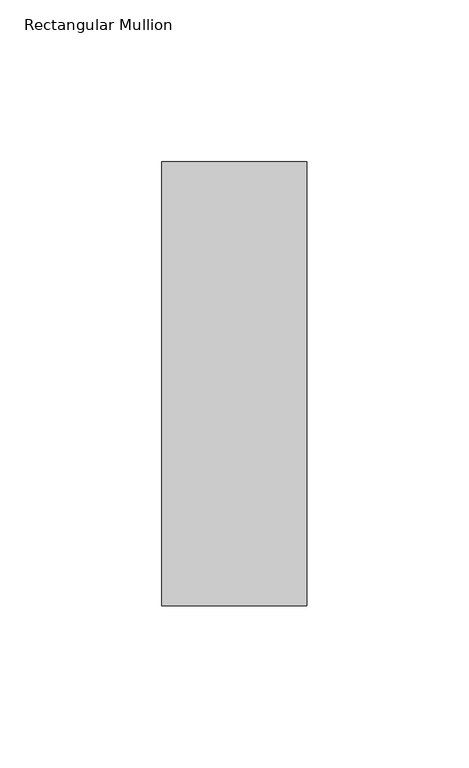
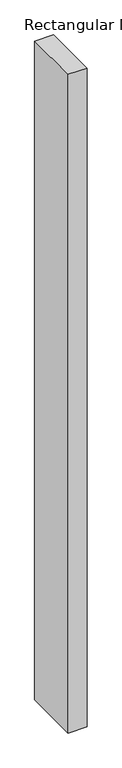
"""IFC4 building model written with IfcOpenShell, lengths in millimetres: member geometry, Rectangular Mullion."""

from ifc_helpers import new_model, si_unit, frame, origin, place, context, project, spatial, polyline, outline, extrude, source, transform, mapped, element, save


def rectangular_mullion_19cc810c(model_context):
    return source(origin(), model_context, "Body", "SweptSolid", [
        extrude(outline(polyline([(0.0, 84.19375), (0.0, -53.19375), (-45.0, -53.19375), (-45.0, 84.19375), (0.0, 84.19375)])), frame((0.0, 0.0, -1650.6976981), z_axis=(0.0, 0.0, 1.0), x_axis=(1.0, 0.0, 0.0)), (0.0, 0.0, 1.0), 1650.6976981),
    ])


if __name__ == "__main__":
    model = new_model("IFC4")
    model_context = context("Model", 3, world=origin())
    ifc_project = project(units=[si_unit("LENGTHUNIT", "METRE", prefix="MILLI")], contexts=[model_context])
    site = spatial("IfcSite", under=ifc_project)
    building = spatial("IfcBuilding", under=site)
    placement = place(None, origin())
    rectangular_mullion_shape = rectangular_mullion_19cc810c(model_context)
    element("IfcMember", 1, ObjectType="Rectangular Mullion", at=placement, inside=building, context=model_context, shape_type="MappedRepresentation", body=[
        mapped(rectangular_mullion_shape, transform((0.0, 0.0, 0.0), x_axis=(1.0, 0.0, 0.0), y_axis=(0.0, 1.0, 0.0), z_axis=(0.0, 0.0, 1.0))),
    ])
    save(model, "model.ifc")
